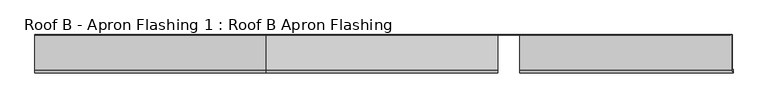
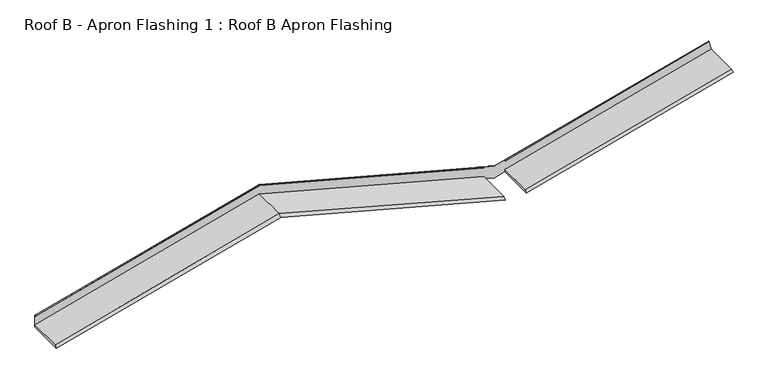
"""IFC4 building model written with IfcOpenShell, lengths in millimetres: proxy geometry, Roof B - Apron Flashing 1 : Roof B Apron Flashing."""

from ifc_helpers import new_model, si_unit, frame, origin, place, context, project, spatial, circle_curve, ellipse_curve, source, transform, mapped, element, save
from ifc_brep_helpers import plane_surface, cylinder_surface, advanced_brep


def roof_b_apron_flashing_1_roof_b_apron_flashing_5b7c6e5c(model_context):
    return source(origin(), model_context, "Body", "AdvancedBrep", [
        advanced_brep(
        [(7217.9826273, -488.4050751, 3936.6815328), (7224.9707415, -515.4050751, 3910.6015355), (7224.9707415, -477.4175022, 3910.6015355), (7218.2382213, -477.4175022, 3935.7276429), (7218.2382213, -85.5, 3935.7276429), (7189.8139585, -85.5, 4041.808436), (7189.7201206, -86.7239884, 4042.1586439), (7191.2306039, -90.5139698, 4036.5214433), (7191.3715669, -89.6752992, 4035.9953624), (7190.1060629, -86.5, 4040.7182876), (7217.9826273, -86.5, 3936.6815328), (2000.0, -488.4050751, 3993.4914166), (2000.0, -515.4050751, 3965.5389597), (4592.292347, -515.4050751, 3270.9363188), (4592.292347, -488.4050751, 3298.8887757), (2000.0, -85.5, 3965.5389597), (4715.0, -85.5, 3238.0569023), (4715.0, -86.5, 3238.0569023), (4592.292347, -86.5, 3270.9363188), (2000.0, -86.7239884, 4106.5414436), (2000.0, -90.5139698, 4100.4995101), (4592.292347, -90.5139698, 3405.8968692), (4592.292347, -86.7239884, 3411.9388026), (2000.0, -86.5, 3993.4914166), (4592.292347, -86.5, 3298.8887757), (-592.3448479, -515.4050751, 3270.9222512), (-592.3448479, -85.5, 3270.9222512), (-592.3448479, -86.7239884, 3411.9247351), (-592.3448479, -90.5139698, 3405.8828016), (-592.3448479, -86.5, 3298.8747081), (-592.3448479, -488.4050751, 3298.8747081), (4837.292347, -488.4050751, 3298.7774948), (4837.292347, -515.4050751, 3270.8250379), (4837.292347, -86.5, 3270.8250379), (4898.525907, -85.5, 3287.2325209), (4898.525907, -477.4175022, 3287.2325209), (-592.3448479, -85.5, 3411.5493834), (2000.0, -85.5, 4106.1660919), (4715.0, -85.5, 3378.6840344), (4898.525907, -85.5, 3314.1626016), (4837.292347, -86.7239884, 3411.8275217), (4837.292347, -90.5139698, 3405.7855883), (4837.292347, -86.5, 3410.2837525), (4837.292347, -86.5, 3412.0481369), (4715.0, -86.5, 3379.2800012), (4592.292347, -86.5, 3412.1594178), (4592.292347, -86.5, 3410.3950334), (2000.0, -86.5, 4104.9976743), (-592.3448479, -86.5, 3410.3809658), (4837.292347, -86.5, 3298.7774948), (4837.292347, -89.6752992, 3405.2217365), (2000.0, -89.6752992, 4099.9356583), (4592.292347, -89.6752992, 3405.3330174), (-592.3448479, -89.6752992, 3405.3189498), (4898.525907, -477.4175022, 3314.1626016)],
        [
            (0, 1),
            (1, 2),
            (2, 3),
            (3, 4),
            (4, 5),
            (5, 6, circle_curve(frame((7189.8139585, -86.1656921, 4041.808436), z_axis=(0.9659258262890694, 0.0, 0.2588190451025169), x_axis=(-0.2588190451025169, 0.0, 0.9659258262890694)), 0.6656921)),
            (6, 7),
            (7, 8, circle_curve(frame((7191.3010854, -90.0946345, 4036.2584028), z_axis=(0.9659258262890694, 0.0, 0.2588190451025169), x_axis=(-0.2588190451025169, 0.0, 0.9659258262890694)), 0.5)),
            (8, 9),
            (9, 10),
            (10, 0),
            (11, 12),
            (12, 13),
            (13, 14),
            (14, 11),
            (12, 15),
            (15, 16),
            (16, 17),
            (17, 18),
            (18, 13),
            (19, 20),
            (20, 21),
            (21, 22),
            (22, 19),
            (23, 11),
            (14, 24),
            (24, 23),
            (12, 25),
            (25, 26),
            (26, 15),
            (19, 27),
            (27, 28),
            (28, 20),
            (23, 29),
            (29, 30),
            (30, 11),
            (0, 31),
            (31, 32),
            (32, 1),
            (32, 33),
            (33, 17),
            (16, 34),
            (34, 35),
            (35, 2),
            (26, 36),
            (36, 37),
            (37, 38),
            (38, 5),
            (4, 39),
            (39, 34),
            (6, 40),
            (40, 41),
            (41, 7),
            (9, 42),
            (42, 43),
            (43, 44),
            (44, 45),
            (45, 46),
            (46, 47),
            (47, 48),
            (48, 29),
            (24, 18),
            (33, 49),
            (49, 10),
            (49, 31),
            (38, 44, ellipse_curve(frame((4715.0, -86.1656921, 3378.6840344), z_axis=(1.0, 0.0, 0.0), x_axis=(0.0, 0.0, 1.0)), 0.6891751, 0.6656921)),
            (43, 40, ellipse_curve(frame((4837.292347, -86.1656921, 3411.4521701), z_axis=(1.0, 0.0, 0.0), x_axis=(0.0, 0.0, 1.0)), 0.6891751, 0.6656921)),
            (41, 50, ellipse_curve(frame((4837.292347, -90.0946345, 3405.5036624), z_axis=(1.0, 0.0, 0.0), x_axis=(0.0, 0.0, 1.0)), 0.5176381, 0.5)),
            (50, 8),
            (50, 42),
            (37, 19, ellipse_curve(frame((2000.0, -86.1656921, 4106.1660919), z_axis=(1.0, 0.0, 0.0), x_axis=(0.0, 0.0, -1.0)), 0.6891751, 0.6656921)),
            (22, 45, ellipse_curve(frame((4592.292347, -86.1656921, 3411.563451), z_axis=(-1.0, 0.0, 0.0), x_axis=(0.0, 0.0, -1.0)), 0.6891751, 0.6656921)),
            (20, 51, ellipse_curve(frame((2000.0, -90.0946345, 4100.2175842), z_axis=(1.0, 0.0, 0.0), x_axis=(0.0, 0.0, -1.0)), 0.5176381, 0.5)),
            (51, 52),
            (52, 21, ellipse_curve(frame((4592.292347, -90.0946345, 3405.6149433), z_axis=(-1.0, 0.0, 0.0), x_axis=(0.0, 0.0, -1.0)), 0.5176381, 0.5)),
            (51, 47),
            (46, 52),
            (36, 27, ellipse_curve(frame((-592.3448479, -86.1656921, 3411.5493834), z_axis=(1.0, 0.0, 0.0), x_axis=(0.0, 0.0, 1.0)), 0.6891751, 0.6656921)),
            (28, 53, ellipse_curve(frame((-592.3448479, -90.0946345, 3405.6008757), z_axis=(1.0, 0.0, 0.0), x_axis=(0.0, 0.0, 1.0)), 0.5176381, 0.5)),
            (53, 51),
            (53, 48),
            (30, 25),
            (35, 54),
            (54, 3),
            (54, 39),
        ],
        [
            plane_surface(frame((7245.7256649, -95.0, 3833.1431071), z_axis=(0.9659258262890694, 0.0, 0.2588190451025169), x_axis=(0.0, 1.0, 0.0))),
            plane_surface(frame((4715.0, -488.4050751, 3266.0093592), z_axis=(0.18301270189221883, -0.7071067811865478, 0.6830127018922193), x_axis=(-0.9659258262890684, 0.0, 0.2588190451025201))),
            plane_surface(frame((4715.0, -515.4050751, 3238.0569023), z_axis=(-0.2588190451025201, 0.0, -0.9659258262890684), x_axis=(-0.9659258262890684, 0.0, 0.2588190451025201))),
            plane_surface(frame((4715.0, -86.7239884, 3379.0593861), z_axis=(0.14096295496814815, -0.838670567945422, 0.5260809099261741), x_axis=(-0.9659258262890685, 0.0, 0.2588190451025201))),
            plane_surface(frame((4715.0, -86.5, 3266.0093592), z_axis=(0.2588190451025201, 0.0, 0.9659258262890684), x_axis=(-0.9659258262890684, 0.0, 0.2588190451025201))),
            plane_surface(frame((2000.0, -515.4050751, 3965.5389597), z_axis=(0.25881904510251996, 0.0, -0.9659258262890685), x_axis=(-0.9659258262890685, 0.0, -0.25881904510251996))),
            plane_surface(frame((2000.0, -86.7239884, 4106.5414436), z_axis=(-0.1409629549681481, -0.8386705679454222, 0.526080909926174), x_axis=(-0.9659258262890685, 0.0, -0.25881904510252))),
            plane_surface(frame((2000.0, -86.5, 3993.4914166), z_axis=(-0.2588190451025201, 0.0, 0.9659258262890684), x_axis=(-0.9659258262890684, 0.0, -0.2588190451025201))),
            plane_surface(frame((7217.9826273, -488.4050751, 3936.6815328), z_axis=(-0.18301270189221663, -0.7071067811865478, 0.6830127018922197), x_axis=(-0.9659258262890693, 0.0, -0.258819045102517))),
            plane_surface(frame((7224.9707415, -515.4050751, 3910.6015355), z_axis=(0.2588190451025171, 0.0, -0.9659258262890693), x_axis=(-0.9659258262890693, 0.0, -0.2588190451025171))),
            plane_surface(frame((7224.9707415, -85.5, 3910.6015355), z_axis=(0.0, 1.0, 0.0), x_axis=(-0.9659258262890693, 0.0, -0.2588190451025171))),
            plane_surface(frame((7189.7201206, -86.7239884, 4042.1586439), z_axis=(-0.1409629549681465, -0.8386705679454222, 0.5260809099261744), x_axis=(-0.9659258262890693, 0.0, -0.25881904510251713))),
            plane_surface(frame((7190.1060629, -86.5, 4040.7182876), z_axis=(0.0, -1.0, 0.0), x_axis=(-0.9659258262890693, 0.0, -0.258819045102517))),
            plane_surface(frame((7217.9826273, -86.5, 3936.6815328), z_axis=(-0.2588190451025169, 0.0, 0.9659258262890694), x_axis=(-0.9659258262890694, 0.0, -0.2588190451025169))),
            cylinder_surface(frame((7189.8139585, -86.1656921, 4041.808436), z_axis=(0.9659258262890694, 0.0, 0.2588190451025169), x_axis=(-0.2588190451025169, 0.0, 0.9659258262890694)), 0.6656921),
            cylinder_surface(frame((7191.3010854, -90.0946345, 4036.2584028), z_axis=(0.9659258262890694, 0.0, 0.2588190451025169), x_axis=(-0.2588190451025169, 0.0, 0.9659258262890694)), 0.5),
            plane_surface(frame((7191.3715669, -89.6752992, 4035.9953624), z_axis=(0.1409629549681444, 0.8386705679454272, -0.5260809099261671), x_axis=(-0.9659258262890694, 0.0, -0.2588190451025169))),
            cylinder_surface(frame((4770.9117064, -86.1656921, 3363.7025379), z_axis=(0.9659258262890684, 0.0, -0.2588190451025201), x_axis=(0.2588190451025201, 0.0, 0.9659258262890684)), 0.6656921),
            cylinder_surface(frame((4769.4245795, -90.0946345, 3358.1525047), z_axis=(0.9659258262890684, 0.0, -0.2588190451025201), x_axis=(0.2588190451025201, 0.0, 0.9659258262890684)), 0.5),
            plane_surface(frame((4715.0, -89.6752992, 3372.4536009), z_axis=(-0.14096295496814612, 0.8386705679454273, -0.5260809099261665), x_axis=(-0.9659258262890685, 0.0, 0.2588190451025201))),
            cylinder_surface(frame((1944.0882936, -86.1656921, 4091.1845953), z_axis=(0.9659258262890684, 0.0, 0.2588190451025201), x_axis=(-0.2588190451025201, 0.0, 0.9659258262890684)), 0.6656921),
            cylinder_surface(frame((1945.5754205, -90.0946345, 4085.6345621), z_axis=(0.9659258262890684, 0.0, 0.2588190451025201), x_axis=(-0.2588190451025201, 0.0, 0.9659258262890684)), 0.5),
            plane_surface(frame((2000.0, -89.6752992, 4099.9356583), z_axis=(0.1409629549681462, 0.838670567945427, -0.5260809099261665), x_axis=(-0.9659258262890684, 0.0, -0.25881904510252024))),
            plane_surface(frame((2000.0, -488.4050751, 3993.4914166), z_axis=(-0.18301270189221863, -0.7071067811865479, 0.6830127018922192), x_axis=(-0.9659258262890685, 0.0, -0.2588190451025199))),
            plane_surface(frame((4837.292347, -4995.0160332, 3660.9894786), z_axis=(-1.0, 0.0, 0.0), x_axis=(0.0, 0.0, -1.0))),
            plane_surface(frame((4592.292347, -86.5, 3660.9894786), z_axis=(1.0, 0.0, 0.0), x_axis=(0.0, 0.0, -1.0))),
            plane_surface(frame((-592.3448479, -4970.0160332, 3739.5229882), z_axis=(-1.0, 0.0, 0.0), x_axis=(0.0, 0.0, -1.0))),
            plane_surface(frame((4898.525907, -477.4175022, 3214.1626016), z_axis=(0.0, 1.0, 0.0), x_axis=(1.0, 0.0, 0.0))),
            plane_surface(frame((7613.525907, -477.4175022, 4041.6446591), z_axis=(0.25881904510251846, 0.0, -0.965925826289069), x_axis=(0.0, 1.0, 0.0))),
            plane_surface(frame((4898.525907, -477.4175022, 3314.1626016), z_axis=(1.0, 0.0, 0.0), x_axis=(0.0, 1.0, 0.0))),
        ],
        [
            (0, [[1, 2, 3, 4, 5, 6, 7, 8, 9, 10, 11]]),
            (1, [[12, 13, 14, 15]]),
            (2, [[16, 17, 18, 19, 20, -13]]),
            (3, [[21, 22, 23, 24]]),
            (4, [[25, -15, 26, 27]]),
            (5, [[-16, 28, 29, 30]]),
            (6, [[-21, 31, 32, 33]]),
            (7, [[-25, 34, 35, 36]]),
            (8, [[-1, 37, 38, 39]]),
            (9, [[-39, 40, 41, -18, 42, 43, 44, -2]]),
            (10, [[-17, -30, 45, 46, 47, 48, -5, 49, 50, -42]]),
            (11, [[-7, 51, 52, 53]]),
            (12, [[-10, 54, 55, 56, 57, 58, 59, 60, 61, -34, -27, 62, -19, -41, 63, 64]]),
            (13, [[-11, -64, 65, -37]]),
            (14, [[-6, -48, 66, -56, 67, -51]]),
            (15, [[-8, -53, 68, 69]]),
            (16, [[-9, -69, 70, -54]]),
            (17, [[-47, 71, -24, 72, -57, -66]]),
            (18, [[73, 74, 75, -22]]),
            (19, [[76, -59, 77, -74]]),
            (20, [[-71, -46, 78, -31]]),
            (21, [[-73, -33, 79, 80]]),
            (22, [[-76, -80, 81, -60]]),
            (23, [[-12, -36, 82, -28]]),
            (24, [[-63, -40, -38, -65]]),
            (24, [[-55, -70, -68, -52, -67]]),
            (25, [[-62, -26, -14, -20]]),
            (25, [[-58, -72, -23, -75, -77]]),
            (26, [[-29, -82, -35, -61, -81, -79, -32, -78, -45]]),
            (27, [[83, 84, -3, -44]]),
            (28, [[-84, 85, -49, -4]]),
            (29, [[-83, -43, -50, -85]]),
        ],
    ),
    ])


if __name__ == "__main__":
    model = new_model("IFC4")
    model_context = context("Model", 3, world=origin())
    ifc_project = project(units=[si_unit("LENGTHUNIT", "METRE", prefix="MILLI")], contexts=[model_context])
    site = spatial("IfcSite", under=ifc_project)
    building = spatial("IfcBuilding", under=site)
    placement = place(None, origin())
    roof_b_apron_flashing_1_roof_b_apron_flashing_shape = roof_b_apron_flashing_1_roof_b_apron_flashing_5b7c6e5c(model_context)
    element("IfcBuildingElementProxy", 1, Name="Roof B - Apron Flashing 1 : Roof B Apron Flashing", ObjectType="Roof B - Apron Flashing 1 : Roof B Apron Flashing", at=placement, inside=building, context=model_context, shape_type="MappedRepresentation", body=[
        mapped(roof_b_apron_flashing_1_roof_b_apron_flashing_shape, transform((0.0, 0.0, 0.0), x_axis=(1.0, 0.0, 0.0), y_axis=(0.0, 1.0, 0.0), z_axis=(0.0, 0.0, 1.0))),
    ])
    save(model, "model.ifc")
